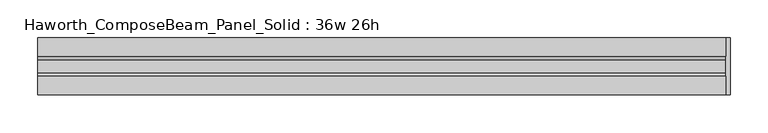
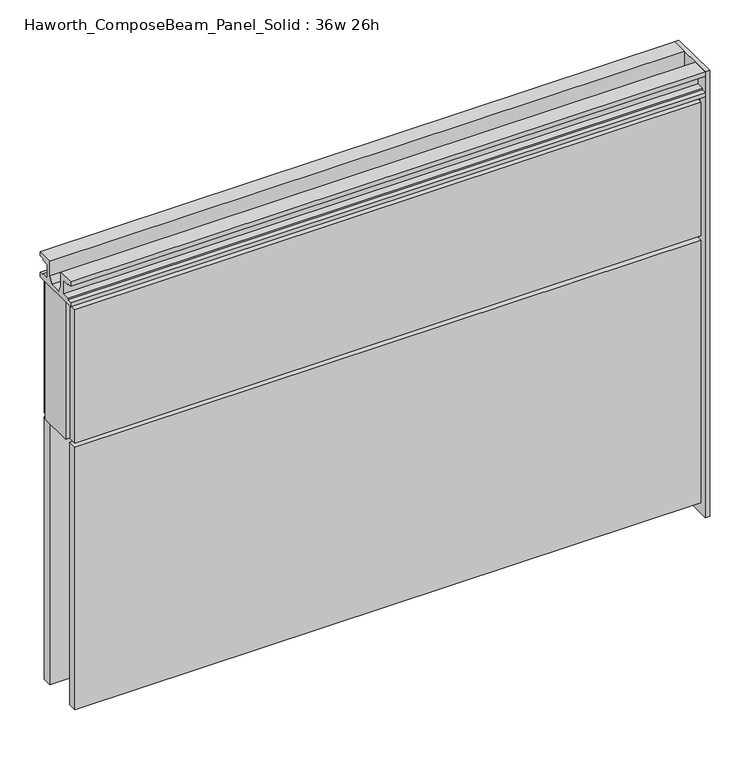
"""IFC4 building model written with IfcOpenShell, lengths in millimetres: furniture geometry, Haworth_ComposeBeam_Panel_Solid : 36w 26h."""

from ifc_helpers import new_model, si_unit, frame, origin, origin_with_axes, place, context, project, spatial, polyline, outline, extrude, source, transform, mapped, element, save


def haworth_composebeam_panel_solid_36w_26h_fdd87d92(model_context):
    return source(origin(), model_context, "Body", "SweptSolid", [
        extrude(outline(polyline([(-38.1, 673.1), (-38.1, 679.45), (-13.5001003, 679.45), (-13.5001003, 657.6828071), (-8.7648475, 647.7), (8.7648498, 647.7), (13.5001026, 657.6828071), (13.5001026, 679.45), (38.1000023, 679.45), (38.1000023, 673.1), (30.6197023, 673.1), (30.6197023, 670.8139719), (19.6977019, 670.8139719), (19.6977019, 649.9860281), (30.6197023, 649.9860281), (30.6197023, 647.7), (38.1000011, 647.7), (38.1000011, 641.35), (-38.0999989, 641.35), (-38.0999989, 647.7), (-30.6197, 647.7), (-30.6197, 649.9860281), (-19.6976996, 649.9860281), (-19.6976996, 670.8139719), (-30.6197, 670.8139719), (-30.6197, 673.1), (-38.1, 673.1)])), frame((-454.7597098, 0.0, 0.0), z_axis=(1.0, 0.0, 0.0), x_axis=(0.0, 1.0, 0.0)), (0.0, 0.0, 1.0), 914.4),
        extrude(outline(polyline([(465.9902902, 38.1), (465.9902902, -38.1), (459.6402902, -38.1), (459.6402902, 38.1), (465.9902902, 38.1)])), origin_with_axes(), (0.0, 0.0, 1.0), 679.45),
        extrude(outline(polyline([(459.6402902, -25.4), (-454.7597098, -25.4), (-454.7597098, 25.4), (459.6402902, 25.4), (459.6402902, -25.4)])), frame((0.0, 0.0, 431.8), z_axis=(0.0, 0.0, 1.0), x_axis=(1.0, 0.0, 0.0)), (0.0, 0.0, 1.0), 209.55),
        extrude(outline(polyline([(-448.4097098, -25.4), (453.2902902, -25.4), (453.2902902, -38.1), (-448.4097098, -38.1), (-448.4097098, -25.4)])), frame((0.0, 0.0, 431.8), z_axis=(0.0, 0.0, 1.0), x_axis=(1.0, 0.0, 0.0)), (0.0, 0.0, 1.0), 203.2),
        extrude(outline(polyline([(-448.4097098, -25.4), (453.2902902, -25.4), (453.2902902, -38.1), (-448.4097098, -38.1), (-448.4097098, -25.4)])), frame((0.0, 0.0, 25.4), z_axis=(0.0, 0.0, 1.0), x_axis=(1.0, 0.0, 0.0)), (0.0, 0.0, 1.0), 400.05),
        extrude(outline(polyline([(-448.4097098, 38.1), (453.2902902, 38.1), (453.2902902, 25.4), (-448.4097098, 25.4), (-448.4097098, 38.1)])), frame((0.0, 0.0, 431.8), z_axis=(0.0, 0.0, 1.0), x_axis=(1.0, 0.0, 0.0)), (0.0, 0.0, 1.0), 203.2),
        extrude(outline(polyline([(-448.4097098, 38.1), (453.2902902, 38.1), (453.2902902, 25.4), (-448.4097098, 25.4), (-448.4097098, 38.1)])), frame((0.0, 0.0, 25.4), z_axis=(0.0, 0.0, 1.0), x_axis=(1.0, 0.0, 0.0)), (0.0, 0.0, 1.0), 400.05),
    ])


if __name__ == "__main__":
    model = new_model("IFC4")
    model_context = context("Model", 3, world=origin())
    ifc_project = project(units=[si_unit("LENGTHUNIT", "METRE", prefix="MILLI")], contexts=[model_context])
    site = spatial("IfcSite", under=ifc_project)
    building = spatial("IfcBuilding", under=site)
    placement = place(None, origin())
    haworth_composebeam_panel_solid_36w_26h_shape = haworth_composebeam_panel_solid_36w_26h_fdd87d92(model_context)
    element("IfcFurniture", 1, ObjectType="Haworth_ComposeBeam_Panel_Solid : 36w 26h", at=placement, inside=building, context=model_context, shape_type="MappedRepresentation", body=[
        mapped(haworth_composebeam_panel_solid_36w_26h_shape, transform((0.0, 0.0, 0.0), x_axis=(1.0, 0.0, 0.0), y_axis=(0.0, 1.0, 0.0), z_axis=(0.0, 0.0, 1.0))),
    ])
    save(model, "model.ifc")
